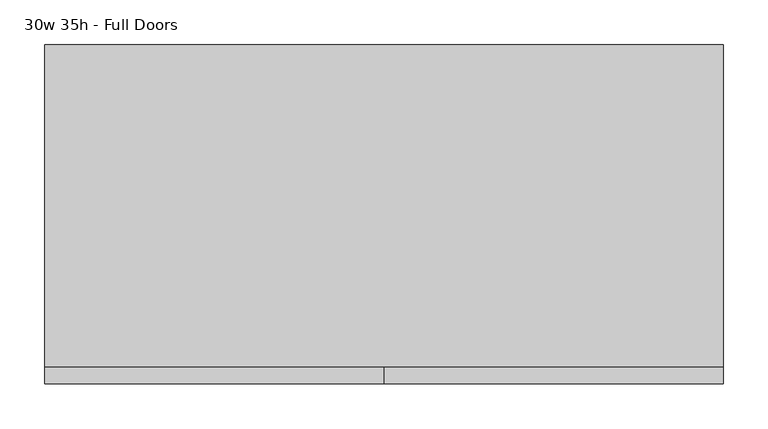
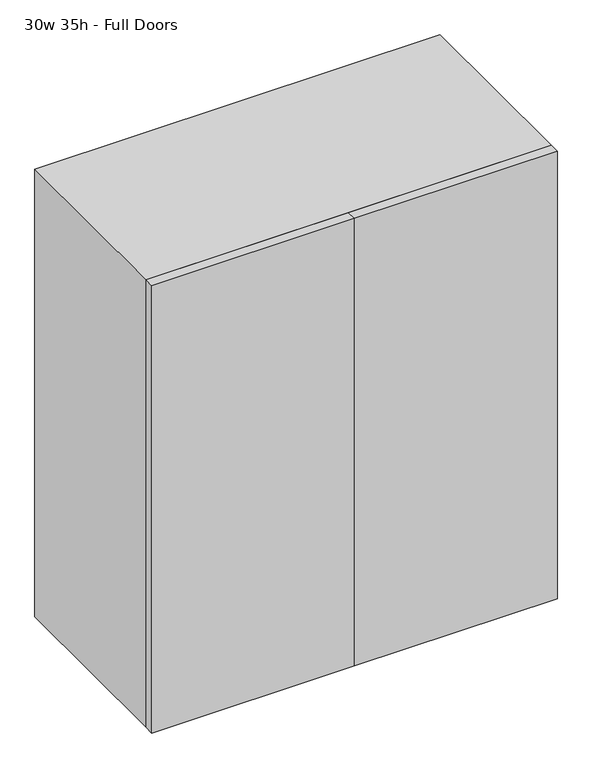
"""IFC4 building model written with IfcOpenShell, lengths in millimetres: furniture geometry, 30w 35h - Full Doors."""

from ifc_helpers import new_model, si_unit, frame, origin, place, context, project, spatial, polyline, outline, extrude, source, transform, mapped, element, save


def furniture_30w_35h_full_doors_962b2b1c(model_context):
    return source(origin(), model_context, "Body", "SweptSolid", [
        extrude(outline(polyline([(361.9569453, 161.925), (361.9569453, -180.975), (-361.9291641, -180.975), (-361.9291641, 161.925), (361.9569453, 161.925)])), frame((0.0, 0.0, 1326.0916667), z_axis=(0.0, 0.0, 1.0), x_axis=(1.0, 0.0, 0.0)), (0.0, 0.0, 1.0), 19.05),
        extrude(outline(polyline([(361.9569453, 161.925), (361.9569453, -180.975), (-361.9291641, -180.975), (-361.9291641, 161.925), (361.9569453, 161.925)])), frame((0.0, 0.0, 1017.0583333), z_axis=(0.0, 0.0, 1.0), x_axis=(1.0, 0.0, 0.0)), (0.0, 0.0, 1.0), 19.05),
        extrude(outline(polyline([(0.0138906, -200.025), (0.0138906, -180.975), (381.0138906, -180.975), (381.0138906, -200.025), (0.0138906, -200.025)])), frame((0.0, 0.0, 736.6), z_axis=(0.0, 0.0, 1.0), x_axis=(1.0, 0.0, 0.0)), (0.0, 0.0, 1.0), 889.0),
        extrude(outline(polyline([(0.0138906, -200.025), (-380.9861094, -200.025), (-380.9861094, -180.975), (0.0138906, -180.975), (0.0138906, -200.025)])), frame((0.0, 0.0, 736.6), z_axis=(0.0, 0.0, 1.0), x_axis=(1.0, 0.0, 0.0)), (0.0, 0.0, 1.0), 889.0),
        extrude(outline(polyline([(736.6, -380.9861094), (736.6, 381.0138906), (1625.6, 381.0138906), (1625.6, -380.9861094), (736.6, -380.9861094)]), holes=[polyline([(755.65, -361.9361094), (1606.55, -361.9361094), (1606.55, 361.9569453), (755.65, 361.9569453), (755.65, -361.9361094)])]), frame((0.0, -180.975, 0.0), z_axis=(0.0, 1.0, 0.0), x_axis=(0.0, 0.0, 1.0)), (0.0, 0.0, 1.0), 361.95),
        extrude(outline(polyline([(-361.9291641, 161.925), (-361.9291641, 180.975), (361.9569453, 180.975), (361.9569453, 161.925), (-361.9291641, 161.925)])), frame((0.0, 0.0, 755.65), z_axis=(0.0, 0.0, 1.0), x_axis=(1.0, 0.0, 0.0)), (0.0, 0.0, 1.0), 850.9),
    ])


if __name__ == "__main__":
    model = new_model("IFC4")
    model_context = context("Model", 3, world=origin())
    ifc_project = project(units=[si_unit("LENGTHUNIT", "METRE", prefix="MILLI")], contexts=[model_context])
    site = spatial("IfcSite", under=ifc_project)
    building = spatial("IfcBuilding", under=site)
    placement = place(None, origin())
    furniture_30w_35h_full_doors_shape = furniture_30w_35h_full_doors_962b2b1c(model_context)
    element("IfcFurniture", 1, ObjectType="30w 35h - Full Doors", at=placement, inside=building, context=model_context, shape_type="MappedRepresentation", body=[
        mapped(furniture_30w_35h_full_doors_shape, transform((0.0, 0.0, 0.0), x_axis=(1.0, 0.0, 0.0), y_axis=(0.0, 1.0, 0.0), z_axis=(0.0, 0.0, 1.0))),
    ])
    save(model, "model.ifc")
